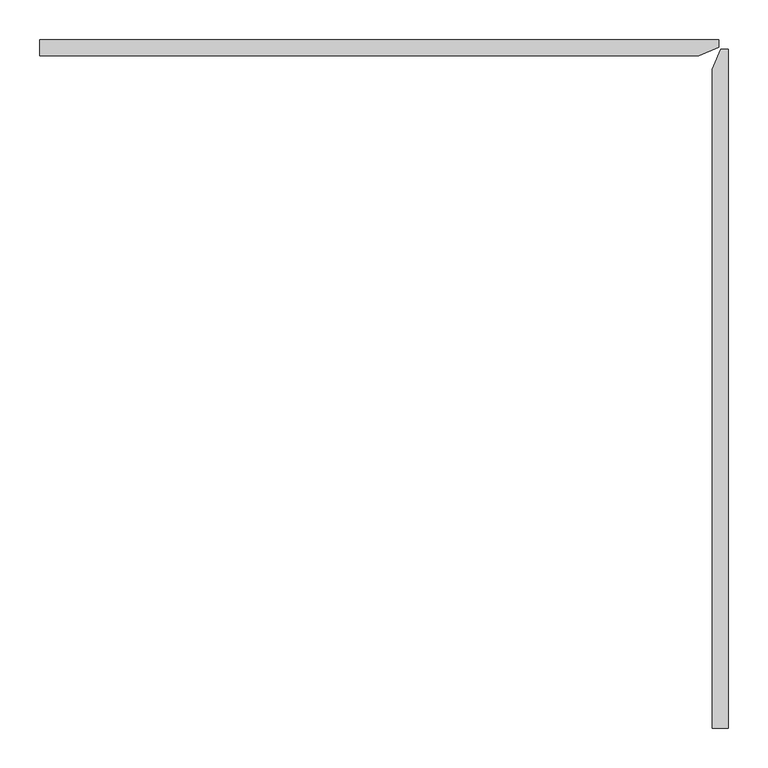
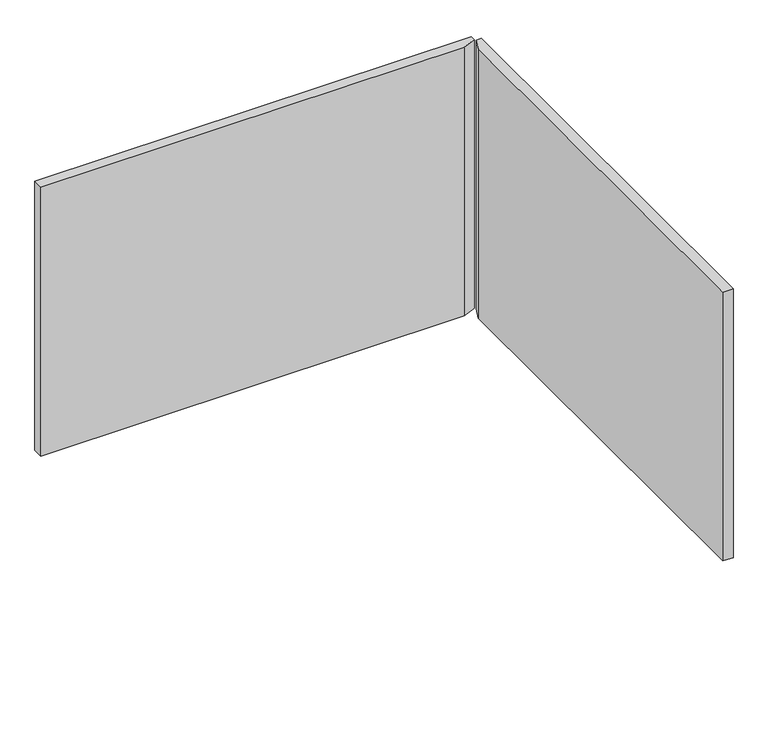
"""IFC4 building model written with IfcOpenShell, lengths in millimetres: furniture geometry."""

import ifcopenshell
import ifcopenshell.guid

model = None  # the IFC model being written
_history = None  # IfcOwnerHistory: only IFC2X3 demands one
_inside = {}  # id of a spatial element -> (the spatial element, [elements in it])
_under = {}  # id of a project, library or spatial element -> (it, [spatial elements below it])
_declared = {}  # id of a project -> (the project, [libraries it declares])
_typed = {}  # id of a type object -> (the type object, [elements of that type])
_made_of = {}  # id of a material, layer set ... -> (it, [elements and type objects made of it])


def new_model(schema):
    """Start an empty IFC model of exactly this schema.

    Asked for "IFC4X3", IfcOpenShell would pick the latest addendum, in which some entities
    have other attributes; the version numbers below select the first issue.
    IFC2X3 requires an IfcOwnerHistory on every rooted entity: one is made here for all.
    """
    global model, _history
    if schema == "IFC4X3":
        model = ifcopenshell.file(schema_version=(4, 3, 0, 0))
    else:
        model = ifcopenshell.file(schema=schema)
    _inside.clear()
    _under.clear()
    _declared.clear()
    _typed.clear()
    _made_of.clear()
    _history = None
    if model.schema == "IFC2X3":
        org = make("IfcOrganization", Name="unknown")
        user = make(
            "IfcPersonAndOrganization",
            ThePerson=make("IfcPerson", FamilyName="unknown"),
            TheOrganization=org,
        )
        app = make(
            "IfcApplication",
            ApplicationDeveloper=org,
            Version="unknown",
            ApplicationFullName="unknown",
            ApplicationIdentifier="unknown",
        )
        _history = make(
            "IfcOwnerHistory",
            OwningUser=user,
            OwningApplication=app,
            ChangeAction="ADDED",
            CreationDate=0,
        )
    return model


def make(cls, **values):
    """One entity of the class cls with the attributes given. An attribute that is None is left unset."""
    return model.create_entity(
        cls, **{name: value for name, value in values.items() if value is not None}
    )


def rooted(cls, **values):
    """An entity with a GlobalId (a new one), such as an element, a storey or a relation."""
    return make(cls, GlobalId=ifcopenshell.guid.new(), OwnerHistory=_history, **values)


def si_unit(unit_type, name, prefix=None):
    """IfcSIUnit, for example si_unit("LENGTHUNIT", "METRE", prefix="MILLI")."""
    return make("IfcSIUnit", UnitType=unit_type, Prefix=prefix, Name=name)


def assignment(units):
    """IfcUnitAssignment: the units of a project."""
    return None if units is None else make("IfcUnitAssignment", Units=units)


def point(xyz):
    """IfcCartesianPoint."""
    return None if xyz is None else make("IfcCartesianPoint", Coordinates=xyz)


def direction(xyz):
    """IfcDirection."""
    return None if xyz is None else make("IfcDirection", DirectionRatios=xyz)


def frame(location, z_axis=None, x_axis=None):
    """IfcAxis2Placement3D, a coordinate frame: its origin and axes. An axis left out is left unset."""
    return make(
        "IfcAxis2Placement3D",
        Location=point(location),
        Axis=direction(z_axis),
        RefDirection=direction(x_axis),
    )


def origin():
    """The frame at (0, 0, 0) with its axes left unset."""
    return frame((0.0, 0.0, 0.0))


def place(relative_to, where):
    """IfcLocalPlacement: puts the frame where relative to a parent placement (None: the world)."""
    return make(
        "IfcLocalPlacement", PlacementRelTo=relative_to, RelativePlacement=where
    )


def context(
    kind, dimensions, precision=None, world=None, true_north=None, identifier=None
):
    """IfcGeometricRepresentationContext, for example the 3D "Model" context."""
    return make(
        "IfcGeometricRepresentationContext",
        ContextIdentifier=identifier,
        ContextType=kind,
        CoordinateSpaceDimension=dimensions,
        Precision=precision,
        WorldCoordinateSystem=world,
        TrueNorth=true_north,
    )


def project(units=None, contexts=None):
    """IfcProject with its units and contexts."""
    return rooted(
        "IfcProject",
        Name="project",
        RepresentationContexts=contexts,
        UnitsInContext=assignment(units),
    )


def spatial(cls, under=None, at=None, **own):
    """A site, building, storey or space (cls), placed at a placement, below another one or the project."""
    s = rooted(cls, ObjectPlacement=at, **own)
    if under is not None:
        _under.setdefault(under.id(), (under, []))[1].append(s)
    return s


def polyline(points):
    """IfcPolyline through the points."""
    return make("IfcPolyline", Points=[point(p) for p in points])


def outline(outer, holes=None, kind="AREA"):
    """IfcArbitraryClosedProfileDef: a profile drawn as a closed curve; with holes, ...WithVoids."""
    if holes is None:
        return make("IfcArbitraryClosedProfileDef", ProfileType=kind, OuterCurve=outer)
    return make(
        "IfcArbitraryProfileDefWithVoids",
        ProfileType=kind,
        OuterCurve=outer,
        InnerCurves=holes,
    )


def extrude(swept, where, along, depth):
    """IfcExtrudedAreaSolid: the profile swept, set in the frame where, extruded along a direction by depth."""
    return make(
        "IfcExtrudedAreaSolid",
        SweptArea=swept,
        Position=where,
        ExtrudedDirection=direction(along),
        Depth=depth,
    )


def shape(context_of_items, identifier, shape_type, items):
    """IfcShapeRepresentation: the items that make up one representation, for example the "Body"."""
    return make(
        "IfcShapeRepresentation",
        ContextOfItems=context_of_items,
        RepresentationIdentifier=identifier,
        RepresentationType=shape_type,
        Items=items,
    )


def source(mapping_origin, context_of_items, identifier, shape_type, items):
    """IfcRepresentationMap: a shape defined once, which mapped items show again and again."""
    return make(
        "IfcRepresentationMap",
        MappingOrigin=mapping_origin,
        MappedRepresentation=shape(context_of_items, identifier, shape_type, items),
    )


def transform(
    local_origin,
    x_axis=None,
    y_axis=None,
    z_axis=None,
    scale=None,
    scale2=None,
    scale3=None,
    uniform=True,
):
    """IfcCartesianTransformationOperator3D, or its non-uniform kind. x_axis, y_axis, z_axis: its Axis1, 2, 3."""
    if uniform:
        return make(
            "IfcCartesianTransformationOperator3D",
            Axis1=direction(x_axis),
            Axis2=direction(y_axis),
            LocalOrigin=point(local_origin),
            Scale=scale,
            Axis3=direction(z_axis),
        )
    return make(
        "IfcCartesianTransformationOperator3DnonUniform",
        Axis1=direction(x_axis),
        Axis2=direction(y_axis),
        LocalOrigin=point(local_origin),
        Scale=scale,
        Axis3=direction(z_axis),
        Scale2=scale2,
        Scale3=scale3,
    )


def mapped(mapping_source, mapping_target):
    """IfcMappedItem: shows the shape of a source again, moved by a transform."""
    return make(
        "IfcMappedItem", MappingSource=mapping_source, MappingTarget=mapping_target
    )


def made_of(thing, what):
    """Note that an element or type object is made of a material, layer set ...; save() writes the relation."""
    if what is not None:
        _made_of.setdefault(what.id(), (what, []))[1].append(thing)
    return thing


def element(
    cls,
    number,
    at=None,
    inside=None,
    cuts=None,
    type_object=None,
    material=None,
    context=None,
    identifier="Body",
    shape_type=None,
    held_by="IfcProductDefinitionShape",
    body=None,
    shapes=None,
    **own,
):
    """One element of the class cls, such as IfcWall. Its Tag is "e" and its number.

    at: its placement. inside: the storey or other place that contains it. cuts: it is an
    opening in that element (IfcRelVoidsElement). A single representation is given by context,
    identifier, shape_type and body (its items); several are given by shapes. held_by: the class
    of the entity that holds the representations. save() writes the other relations.
    """
    e = rooted(cls, Tag="e%d" % number, ObjectPlacement=at, **own)
    if body is not None:
        shapes = [shape(context, identifier, shape_type, body)]
    if shapes is not None:
        e.Representation = make(held_by, Representations=shapes)
    if inside is not None:
        _inside.setdefault(inside.id(), (inside, []))[1].append(e)
    if cuts is not None:
        rooted(
            "IfcRelVoidsElement", RelatingBuildingElement=cuts, RelatedOpeningElement=e
        )
    if type_object is not None:
        _typed.setdefault(type_object.id(), (type_object, []))[1].append(e)
    return made_of(e, material)


def aggregate(whole, parts):
    """IfcRelAggregates: a whole, such as a stair, and the parts it consists of."""
    return rooted("IfcRelAggregates", RelatingObject=whole, RelatedObjects=parts)


def save(model, path):
    """Write the relations noted so far, then the file.

    IfcRelAggregates (storeys below a building ...), IfcRelContainedInSpatialStructure (elements
    in a storey), IfcRelDefinesByType, IfcRelAssociatesMaterial and IfcRelDeclares: one each for
    every whole, place, type object, material and project.
    """
    for whole, parts in _under.values():
        aggregate(whole, parts)
    for where, things in _inside.values():
        rooted(
            "IfcRelContainedInSpatialStructure",
            RelatedElements=things,
            RelatingStructure=where,
        )
    for kind, things in _typed.values():
        rooted("IfcRelDefinesByType", RelatedObjects=things, RelatingType=kind)
    for what, things in _made_of.values():
        rooted("IfcRelAssociatesMaterial", RelatedObjects=things, RelatingMaterial=what)
    for by, libraries in _declared.values():
        rooted("IfcRelDeclares", RelatingContext=by, RelatedDefinitions=libraries)
    model.write(path)


def furniture_ff214b1e(model_context):
    return source(origin(), model_context, "Body", "SweptSolid", [
        extrude(outline(polyline([(0.4499988, 44.5440062), (859.1000324, 44.5440062), (859.1000324, 35.0190062), (833.4568302, 23.9700054), (0.4499988, 23.9700054), (0.4499988, 44.5440062)])), frame((0.0, 0.0, 139.700003), z_axis=(0.0, 0.0, 1.0), x_axis=(1.0, 0.0, 0.0)), (0.0, 0.0, 1.0), 558.799997),
        extrude(outline(polyline([(861.5490108, 32.5700051), (871.0740108, 32.5700051), (871.0740108, -826.0800276), (850.499976, -826.0800276), (850.499976, 6.9268346), (861.5490108, 32.5700051)])), frame((0.0, 0.0, 139.700003), z_axis=(0.0, 0.0, 1.0), x_axis=(1.0, 0.0, 0.0)), (0.0, 0.0, 1.0), 558.799997),
    ])


if __name__ == "__main__":
    model = new_model("IFC4")
    model_context = context("Model", 3, world=origin())
    ifc_project = project(units=[si_unit("LENGTHUNIT", "METRE", prefix="MILLI")], contexts=[model_context])
    site = spatial("IfcSite", under=ifc_project)
    building = spatial("IfcBuilding", under=site)
    placement = place(None, origin())
    furniture_shape = furniture_ff214b1e(model_context)
    element("IfcFurniture", 1, at=placement, inside=building, context=model_context, shape_type="MappedRepresentation", body=[
        mapped(furniture_shape, transform((0.0, 0.0, 0.0), x_axis=(1.0, 0.0, 0.0), y_axis=(0.0, 1.0, 0.0), z_axis=(0.0, 0.0, 1.0))),
    ])
    save(model, "model.ifc")
